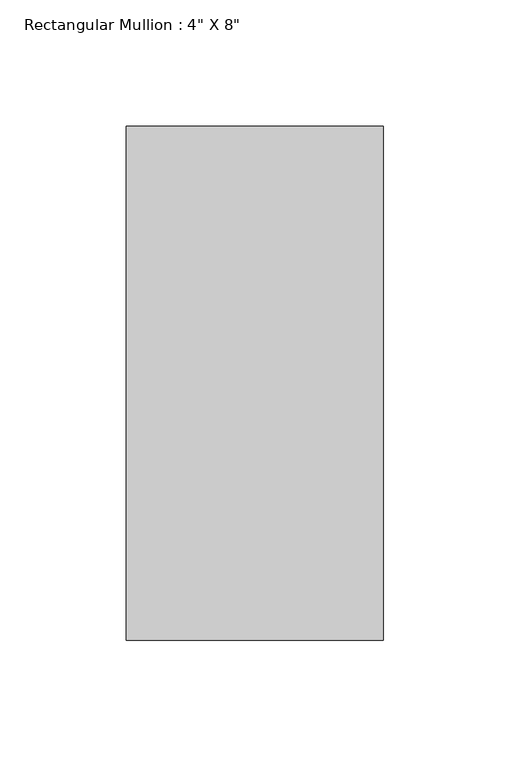
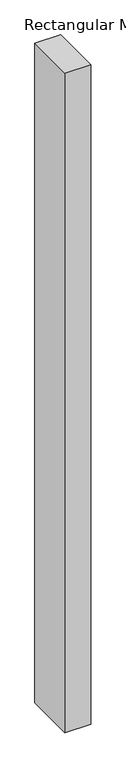
"""IFC4 building model written with IfcOpenShell, lengths in millimetres: member geometry."""

import ifcopenshell
import ifcopenshell.guid

model = None  # the IFC model being written
_history = None  # IfcOwnerHistory: only IFC2X3 demands one
_inside = {}  # id of a spatial element -> (the spatial element, [elements in it])
_under = {}  # id of a project, library or spatial element -> (it, [spatial elements below it])
_declared = {}  # id of a project -> (the project, [libraries it declares])
_typed = {}  # id of a type object -> (the type object, [elements of that type])
_made_of = {}  # id of a material, layer set ... -> (it, [elements and type objects made of it])


def new_model(schema):
    """Start an empty IFC model of exactly this schema.

    Asked for "IFC4X3", IfcOpenShell would pick the latest addendum, in which some entities
    have other attributes; the version numbers below select the first issue.
    IFC2X3 requires an IfcOwnerHistory on every rooted entity: one is made here for all.
    """
    global model, _history
    if schema == "IFC4X3":
        model = ifcopenshell.file(schema_version=(4, 3, 0, 0))
    else:
        model = ifcopenshell.file(schema=schema)
    _inside.clear()
    _under.clear()
    _declared.clear()
    _typed.clear()
    _made_of.clear()
    _history = None
    if model.schema == "IFC2X3":
        org = make("IfcOrganization", Name="unknown")
        user = make(
            "IfcPersonAndOrganization",
            ThePerson=make("IfcPerson", FamilyName="unknown"),
            TheOrganization=org,
        )
        app = make(
            "IfcApplication",
            ApplicationDeveloper=org,
            Version="unknown",
            ApplicationFullName="unknown",
            ApplicationIdentifier="unknown",
        )
        _history = make(
            "IfcOwnerHistory",
            OwningUser=user,
            OwningApplication=app,
            ChangeAction="ADDED",
            CreationDate=0,
        )
    return model


def make(cls, **values):
    """One entity of the class cls with the attributes given. An attribute that is None is left unset."""
    return model.create_entity(
        cls, **{name: value for name, value in values.items() if value is not None}
    )


def rooted(cls, **values):
    """An entity with a GlobalId (a new one), such as an element, a storey or a relation."""
    return make(cls, GlobalId=ifcopenshell.guid.new(), OwnerHistory=_history, **values)


def si_unit(unit_type, name, prefix=None):
    """IfcSIUnit, for example si_unit("LENGTHUNIT", "METRE", prefix="MILLI")."""
    return make("IfcSIUnit", UnitType=unit_type, Prefix=prefix, Name=name)


def assignment(units):
    """IfcUnitAssignment: the units of a project."""
    return None if units is None else make("IfcUnitAssignment", Units=units)


def point(xyz):
    """IfcCartesianPoint."""
    return None if xyz is None else make("IfcCartesianPoint", Coordinates=xyz)


def direction(xyz):
    """IfcDirection."""
    return None if xyz is None else make("IfcDirection", DirectionRatios=xyz)


def frame(location, z_axis=None, x_axis=None):
    """IfcAxis2Placement3D, a coordinate frame: its origin and axes. An axis left out is left unset."""
    return make(
        "IfcAxis2Placement3D",
        Location=point(location),
        Axis=direction(z_axis),
        RefDirection=direction(x_axis),
    )


def origin():
    """The frame at (0, 0, 0) with its axes left unset."""
    return frame((0.0, 0.0, 0.0))


def place(relative_to, where):
    """IfcLocalPlacement: puts the frame where relative to a parent placement (None: the world)."""
    return make(
        "IfcLocalPlacement", PlacementRelTo=relative_to, RelativePlacement=where
    )


def context(
    kind, dimensions, precision=None, world=None, true_north=None, identifier=None
):
    """IfcGeometricRepresentationContext, for example the 3D "Model" context."""
    return make(
        "IfcGeometricRepresentationContext",
        ContextIdentifier=identifier,
        ContextType=kind,
        CoordinateSpaceDimension=dimensions,
        Precision=precision,
        WorldCoordinateSystem=world,
        TrueNorth=true_north,
    )


def project(units=None, contexts=None):
    """IfcProject with its units and contexts."""
    return rooted(
        "IfcProject",
        Name="project",
        RepresentationContexts=contexts,
        UnitsInContext=assignment(units),
    )


def spatial(cls, under=None, at=None, **own):
    """A site, building, storey or space (cls), placed at a placement, below another one or the project."""
    s = rooted(cls, ObjectPlacement=at, **own)
    if under is not None:
        _under.setdefault(under.id(), (under, []))[1].append(s)
    return s


def polyline(points):
    """IfcPolyline through the points."""
    return make("IfcPolyline", Points=[point(p) for p in points])


def outline(outer, holes=None, kind="AREA"):
    """IfcArbitraryClosedProfileDef: a profile drawn as a closed curve; with holes, ...WithVoids."""
    if holes is None:
        return make("IfcArbitraryClosedProfileDef", ProfileType=kind, OuterCurve=outer)
    return make(
        "IfcArbitraryProfileDefWithVoids",
        ProfileType=kind,
        OuterCurve=outer,
        InnerCurves=holes,
    )


def extrude(swept, where, along, depth):
    """IfcExtrudedAreaSolid: the profile swept, set in the frame where, extruded along a direction by depth."""
    return make(
        "IfcExtrudedAreaSolid",
        SweptArea=swept,
        Position=where,
        ExtrudedDirection=direction(along),
        Depth=depth,
    )


def shape(context_of_items, identifier, shape_type, items):
    """IfcShapeRepresentation: the items that make up one representation, for example the "Body"."""
    return make(
        "IfcShapeRepresentation",
        ContextOfItems=context_of_items,
        RepresentationIdentifier=identifier,
        RepresentationType=shape_type,
        Items=items,
    )


def source(mapping_origin, context_of_items, identifier, shape_type, items):
    """IfcRepresentationMap: a shape defined once, which mapped items show again and again."""
    return make(
        "IfcRepresentationMap",
        MappingOrigin=mapping_origin,
        MappedRepresentation=shape(context_of_items, identifier, shape_type, items),
    )


def transform(
    local_origin,
    x_axis=None,
    y_axis=None,
    z_axis=None,
    scale=None,
    scale2=None,
    scale3=None,
    uniform=True,
):
    """IfcCartesianTransformationOperator3D, or its non-uniform kind. x_axis, y_axis, z_axis: its Axis1, 2, 3."""
    if uniform:
        return make(
            "IfcCartesianTransformationOperator3D",
            Axis1=direction(x_axis),
            Axis2=direction(y_axis),
            LocalOrigin=point(local_origin),
            Scale=scale,
            Axis3=direction(z_axis),
        )
    return make(
        "IfcCartesianTransformationOperator3DnonUniform",
        Axis1=direction(x_axis),
        Axis2=direction(y_axis),
        LocalOrigin=point(local_origin),
        Scale=scale,
        Axis3=direction(z_axis),
        Scale2=scale2,
        Scale3=scale3,
    )


def mapped(mapping_source, mapping_target):
    """IfcMappedItem: shows the shape of a source again, moved by a transform."""
    return make(
        "IfcMappedItem", MappingSource=mapping_source, MappingTarget=mapping_target
    )


def made_of(thing, what):
    """Note that an element or type object is made of a material, layer set ...; save() writes the relation."""
    if what is not None:
        _made_of.setdefault(what.id(), (what, []))[1].append(thing)
    return thing


def element(
    cls,
    number,
    at=None,
    inside=None,
    cuts=None,
    type_object=None,
    material=None,
    context=None,
    identifier="Body",
    shape_type=None,
    held_by="IfcProductDefinitionShape",
    body=None,
    shapes=None,
    **own,
):
    """One element of the class cls, such as IfcWall. Its Tag is "e" and its number.

    at: its placement. inside: the storey or other place that contains it. cuts: it is an
    opening in that element (IfcRelVoidsElement). A single representation is given by context,
    identifier, shape_type and body (its items); several are given by shapes. held_by: the class
    of the entity that holds the representations. save() writes the other relations.
    """
    e = rooted(cls, Tag="e%d" % number, ObjectPlacement=at, **own)
    if body is not None:
        shapes = [shape(context, identifier, shape_type, body)]
    if shapes is not None:
        e.Representation = make(held_by, Representations=shapes)
    if inside is not None:
        _inside.setdefault(inside.id(), (inside, []))[1].append(e)
    if cuts is not None:
        rooted(
            "IfcRelVoidsElement", RelatingBuildingElement=cuts, RelatedOpeningElement=e
        )
    if type_object is not None:
        _typed.setdefault(type_object.id(), (type_object, []))[1].append(e)
    return made_of(e, material)


def aggregate(whole, parts):
    """IfcRelAggregates: a whole, such as a stair, and the parts it consists of."""
    return rooted("IfcRelAggregates", RelatingObject=whole, RelatedObjects=parts)


def save(model, path):
    """Write the relations noted so far, then the file.

    IfcRelAggregates (storeys below a building ...), IfcRelContainedInSpatialStructure (elements
    in a storey), IfcRelDefinesByType, IfcRelAssociatesMaterial and IfcRelDeclares: one each for
    every whole, place, type object, material and project.
    """
    for whole, parts in _under.values():
        aggregate(whole, parts)
    for where, things in _inside.values():
        rooted(
            "IfcRelContainedInSpatialStructure",
            RelatedElements=things,
            RelatingStructure=where,
        )
    for kind, things in _typed.values():
        rooted("IfcRelDefinesByType", RelatedObjects=things, RelatingType=kind)
    for what, things in _made_of.values():
        rooted("IfcRelAssociatesMaterial", RelatedObjects=things, RelatingMaterial=what)
    for by, libraries in _declared.values():
        rooted("IfcRelDeclares", RelatingContext=by, RelatedDefinitions=libraries)
    model.write(path)


def member_7b95864c(model_context):
    return source(origin(), model_context, "Body", "SweptSolid", [
        extrude(outline(polyline([(0.0, 139.7), (0.0, -63.5), (-101.6, -63.5), (-101.6, 139.7), (0.0, 139.7)])), frame((0.0, 0.0, -2743.2), z_axis=(0.0, 0.0, 1.0), x_axis=(1.0, 0.0, 0.0)), (0.0, 0.0, 1.0), 2743.2),
    ])


if __name__ == "__main__":
    model = new_model("IFC4")
    model_context = context("Model", 3, world=origin())
    ifc_project = project(units=[si_unit("LENGTHUNIT", "METRE", prefix="MILLI")], contexts=[model_context])
    site = spatial("IfcSite", under=ifc_project)
    building = spatial("IfcBuilding", under=site)
    placement = place(None, origin())
    member_shape = member_7b95864c(model_context)
    element("IfcMember", 1, ObjectType="Rectangular Mullion : 4\" X 8\"", at=placement, inside=building, context=model_context, shape_type="MappedRepresentation", body=[
        mapped(member_shape, transform((0.0, 0.0, 0.0), x_axis=(1.0, 0.0, 0.0), y_axis=(0.0, 1.0, 0.0), z_axis=(0.0, 0.0, 1.0))),
    ])
    save(model, "model.ifc")
